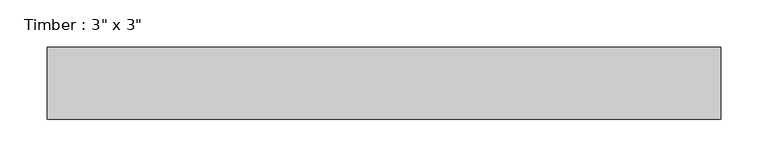
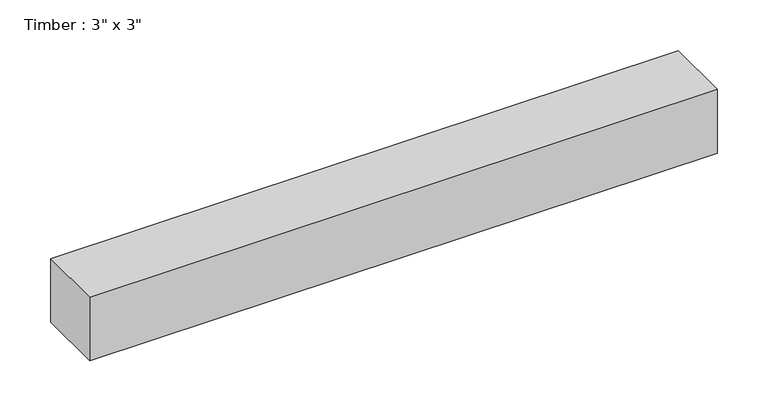
"""IFC4 building model written with IfcOpenShell, lengths in millimetres: beam geometry."""

import ifcopenshell
import ifcopenshell.guid

model = None  # the IFC model being written
_history = None  # IfcOwnerHistory: only IFC2X3 demands one
_inside = {}  # id of a spatial element -> (the spatial element, [elements in it])
_under = {}  # id of a project, library or spatial element -> (it, [spatial elements below it])
_declared = {}  # id of a project -> (the project, [libraries it declares])
_typed = {}  # id of a type object -> (the type object, [elements of that type])
_made_of = {}  # id of a material, layer set ... -> (it, [elements and type objects made of it])


def new_model(schema):
    """Start an empty IFC model of exactly this schema.

    Asked for "IFC4X3", IfcOpenShell would pick the latest addendum, in which some entities
    have other attributes; the version numbers below select the first issue.
    IFC2X3 requires an IfcOwnerHistory on every rooted entity: one is made here for all.
    """
    global model, _history
    if schema == "IFC4X3":
        model = ifcopenshell.file(schema_version=(4, 3, 0, 0))
    else:
        model = ifcopenshell.file(schema=schema)
    _inside.clear()
    _under.clear()
    _declared.clear()
    _typed.clear()
    _made_of.clear()
    _history = None
    if model.schema == "IFC2X3":
        org = make("IfcOrganization", Name="unknown")
        user = make(
            "IfcPersonAndOrganization",
            ThePerson=make("IfcPerson", FamilyName="unknown"),
            TheOrganization=org,
        )
        app = make(
            "IfcApplication",
            ApplicationDeveloper=org,
            Version="unknown",
            ApplicationFullName="unknown",
            ApplicationIdentifier="unknown",
        )
        _history = make(
            "IfcOwnerHistory",
            OwningUser=user,
            OwningApplication=app,
            ChangeAction="ADDED",
            CreationDate=0,
        )
    return model


def make(cls, **values):
    """One entity of the class cls with the attributes given. An attribute that is None is left unset."""
    return model.create_entity(
        cls, **{name: value for name, value in values.items() if value is not None}
    )


def rooted(cls, **values):
    """An entity with a GlobalId (a new one), such as an element, a storey or a relation."""
    return make(cls, GlobalId=ifcopenshell.guid.new(), OwnerHistory=_history, **values)


def si_unit(unit_type, name, prefix=None):
    """IfcSIUnit, for example si_unit("LENGTHUNIT", "METRE", prefix="MILLI")."""
    return make("IfcSIUnit", UnitType=unit_type, Prefix=prefix, Name=name)


def assignment(units):
    """IfcUnitAssignment: the units of a project."""
    return None if units is None else make("IfcUnitAssignment", Units=units)


def point(xyz):
    """IfcCartesianPoint."""
    return None if xyz is None else make("IfcCartesianPoint", Coordinates=xyz)


def direction(xyz):
    """IfcDirection."""
    return None if xyz is None else make("IfcDirection", DirectionRatios=xyz)


def frame(location, z_axis=None, x_axis=None):
    """IfcAxis2Placement3D, a coordinate frame: its origin and axes. An axis left out is left unset."""
    return make(
        "IfcAxis2Placement3D",
        Location=point(location),
        Axis=direction(z_axis),
        RefDirection=direction(x_axis),
    )


def origin():
    """The frame at (0, 0, 0) with its axes left unset."""
    return frame((0.0, 0.0, 0.0))


def place(relative_to, where):
    """IfcLocalPlacement: puts the frame where relative to a parent placement (None: the world)."""
    return make(
        "IfcLocalPlacement", PlacementRelTo=relative_to, RelativePlacement=where
    )


def context(
    kind, dimensions, precision=None, world=None, true_north=None, identifier=None
):
    """IfcGeometricRepresentationContext, for example the 3D "Model" context."""
    return make(
        "IfcGeometricRepresentationContext",
        ContextIdentifier=identifier,
        ContextType=kind,
        CoordinateSpaceDimension=dimensions,
        Precision=precision,
        WorldCoordinateSystem=world,
        TrueNorth=true_north,
    )


def project(units=None, contexts=None):
    """IfcProject with its units and contexts."""
    return rooted(
        "IfcProject",
        Name="project",
        RepresentationContexts=contexts,
        UnitsInContext=assignment(units),
    )


def spatial(cls, under=None, at=None, **own):
    """A site, building, storey or space (cls), placed at a placement, below another one or the project."""
    s = rooted(cls, ObjectPlacement=at, **own)
    if under is not None:
        _under.setdefault(under.id(), (under, []))[1].append(s)
    return s


def polyline(points):
    """IfcPolyline through the points."""
    return make("IfcPolyline", Points=[point(p) for p in points])


def outline(outer, holes=None, kind="AREA"):
    """IfcArbitraryClosedProfileDef: a profile drawn as a closed curve; with holes, ...WithVoids."""
    if holes is None:
        return make("IfcArbitraryClosedProfileDef", ProfileType=kind, OuterCurve=outer)
    return make(
        "IfcArbitraryProfileDefWithVoids",
        ProfileType=kind,
        OuterCurve=outer,
        InnerCurves=holes,
    )


def extrude(swept, where, along, depth):
    """IfcExtrudedAreaSolid: the profile swept, set in the frame where, extruded along a direction by depth."""
    return make(
        "IfcExtrudedAreaSolid",
        SweptArea=swept,
        Position=where,
        ExtrudedDirection=direction(along),
        Depth=depth,
    )


def shape(context_of_items, identifier, shape_type, items):
    """IfcShapeRepresentation: the items that make up one representation, for example the "Body"."""
    return make(
        "IfcShapeRepresentation",
        ContextOfItems=context_of_items,
        RepresentationIdentifier=identifier,
        RepresentationType=shape_type,
        Items=items,
    )


def source(mapping_origin, context_of_items, identifier, shape_type, items):
    """IfcRepresentationMap: a shape defined once, which mapped items show again and again."""
    return make(
        "IfcRepresentationMap",
        MappingOrigin=mapping_origin,
        MappedRepresentation=shape(context_of_items, identifier, shape_type, items),
    )


def transform(
    local_origin,
    x_axis=None,
    y_axis=None,
    z_axis=None,
    scale=None,
    scale2=None,
    scale3=None,
    uniform=True,
):
    """IfcCartesianTransformationOperator3D, or its non-uniform kind. x_axis, y_axis, z_axis: its Axis1, 2, 3."""
    if uniform:
        return make(
            "IfcCartesianTransformationOperator3D",
            Axis1=direction(x_axis),
            Axis2=direction(y_axis),
            LocalOrigin=point(local_origin),
            Scale=scale,
            Axis3=direction(z_axis),
        )
    return make(
        "IfcCartesianTransformationOperator3DnonUniform",
        Axis1=direction(x_axis),
        Axis2=direction(y_axis),
        LocalOrigin=point(local_origin),
        Scale=scale,
        Axis3=direction(z_axis),
        Scale2=scale2,
        Scale3=scale3,
    )


def mapped(mapping_source, mapping_target):
    """IfcMappedItem: shows the shape of a source again, moved by a transform."""
    return make(
        "IfcMappedItem", MappingSource=mapping_source, MappingTarget=mapping_target
    )


def made_of(thing, what):
    """Note that an element or type object is made of a material, layer set ...; save() writes the relation."""
    if what is not None:
        _made_of.setdefault(what.id(), (what, []))[1].append(thing)
    return thing


def element(
    cls,
    number,
    at=None,
    inside=None,
    cuts=None,
    type_object=None,
    material=None,
    context=None,
    identifier="Body",
    shape_type=None,
    held_by="IfcProductDefinitionShape",
    body=None,
    shapes=None,
    **own,
):
    """One element of the class cls, such as IfcWall. Its Tag is "e" and its number.

    at: its placement. inside: the storey or other place that contains it. cuts: it is an
    opening in that element (IfcRelVoidsElement). A single representation is given by context,
    identifier, shape_type and body (its items); several are given by shapes. held_by: the class
    of the entity that holds the representations. save() writes the other relations.
    """
    e = rooted(cls, Tag="e%d" % number, ObjectPlacement=at, **own)
    if body is not None:
        shapes = [shape(context, identifier, shape_type, body)]
    if shapes is not None:
        e.Representation = make(held_by, Representations=shapes)
    if inside is not None:
        _inside.setdefault(inside.id(), (inside, []))[1].append(e)
    if cuts is not None:
        rooted(
            "IfcRelVoidsElement", RelatingBuildingElement=cuts, RelatedOpeningElement=e
        )
    if type_object is not None:
        _typed.setdefault(type_object.id(), (type_object, []))[1].append(e)
    return made_of(e, material)


def aggregate(whole, parts):
    """IfcRelAggregates: a whole, such as a stair, and the parts it consists of."""
    return rooted("IfcRelAggregates", RelatingObject=whole, RelatedObjects=parts)


def save(model, path):
    """Write the relations noted so far, then the file.

    IfcRelAggregates (storeys below a building ...), IfcRelContainedInSpatialStructure (elements
    in a storey), IfcRelDefinesByType, IfcRelAssociatesMaterial and IfcRelDeclares: one each for
    every whole, place, type object, material and project.
    """
    for whole, parts in _under.values():
        aggregate(whole, parts)
    for where, things in _inside.values():
        rooted(
            "IfcRelContainedInSpatialStructure",
            RelatedElements=things,
            RelatingStructure=where,
        )
    for kind, things in _typed.values():
        rooted("IfcRelDefinesByType", RelatedObjects=things, RelatingType=kind)
    for what, things in _made_of.values():
        rooted("IfcRelAssociatesMaterial", RelatedObjects=things, RelatingMaterial=what)
    for by, libraries in _declared.values():
        rooted("IfcRelDeclares", RelatingContext=by, RelatedDefinitions=libraries)
    model.write(path)


def beam_03656415(model_context):
    return source(origin(), model_context, "Body", "SweptSolid", [
        extrude(outline(polyline([(355.6, 38.1), (355.6, -38.1), (-355.6, -38.1), (-355.6, 38.1), (355.6, 38.1)])), frame((0.0, 0.0, -38.1), z_axis=(0.0, 0.0, 1.0), x_axis=(1.0, 0.0, 0.0)), (0.0, 0.0, 1.0), 76.2),
    ])


if __name__ == "__main__":
    model = new_model("IFC4")
    model_context = context("Model", 3, world=origin())
    ifc_project = project(units=[si_unit("LENGTHUNIT", "METRE", prefix="MILLI")], contexts=[model_context])
    site = spatial("IfcSite", under=ifc_project)
    building = spatial("IfcBuilding", under=site)
    placement = place(None, origin())
    beam_shape = beam_03656415(model_context)
    element("IfcBeam", 1, ObjectType="Timber : 3\" x 3\"", at=placement, inside=building, context=model_context, shape_type="MappedRepresentation", body=[
        mapped(beam_shape, transform((0.0, 0.0, 0.0), x_axis=(1.0, 0.0, 0.0), y_axis=(0.0, 1.0, 0.0), z_axis=(0.0, 0.0, 1.0))),
    ])
    save(model, "model.ifc")
